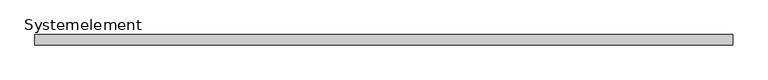
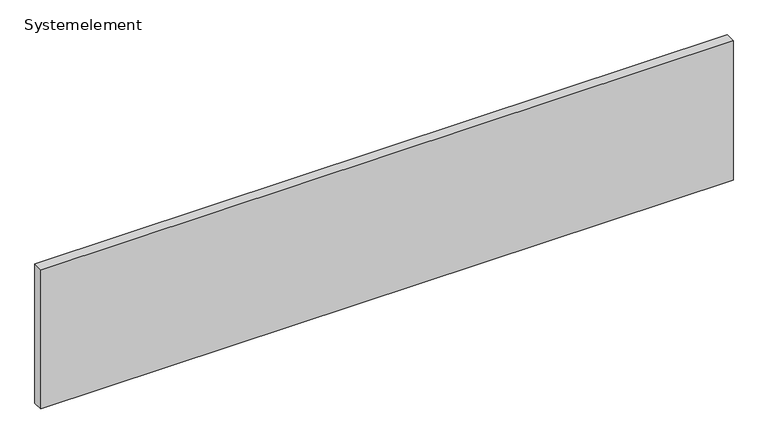
"""IFC4 building model written with IfcOpenShell, lengths in millimetres: plate geometry, Systemelement."""

from ifc_helpers import new_model, si_unit, origin, origin_with_axes, place, context, project, spatial, polyline, outline, extrude, source, transform, mapped, element, save


def systemelement_24660cf7(model_context):
    return source(origin(), model_context, "Body", "SweptSolid", [
        extrude(outline(polyline([(2000.0, -60.0), (-2000.0, -60.0), (-2000.0, 0.0), (2000.0, 0.0), (2000.0, -60.0)])), origin_with_axes(), (0.0, 0.0, 1.0), 851.6147161),
    ])


if __name__ == "__main__":
    model = new_model("IFC4")
    model_context = context("Model", 3, world=origin())
    ifc_project = project(units=[si_unit("LENGTHUNIT", "METRE", prefix="MILLI")], contexts=[model_context])
    site = spatial("IfcSite", under=ifc_project)
    building = spatial("IfcBuilding", under=site)
    placement = place(None, origin())
    systemelement_shape = systemelement_24660cf7(model_context)
    element("IfcPlate", 1, ObjectType="Systemelement", at=placement, inside=building, context=model_context, shape_type="MappedRepresentation", body=[
        mapped(systemelement_shape, transform((0.0, 0.0, 0.0), x_axis=(1.0, 0.0, 0.0), y_axis=(0.0, 1.0, 0.0), z_axis=(0.0, 0.0, 1.0))),
    ])
    save(model, "model.ifc")
